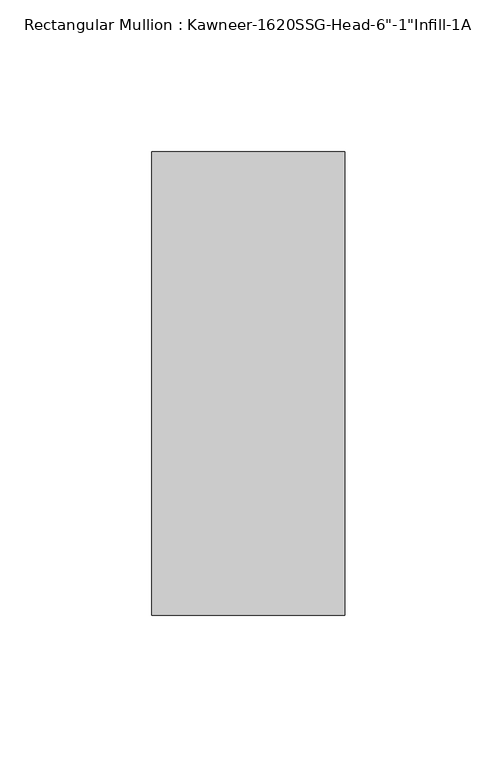
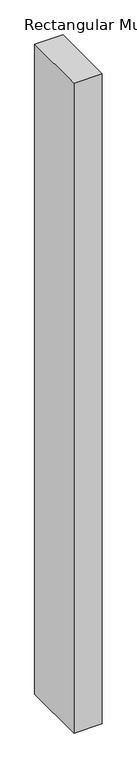
"""IFC4 building model written with IfcOpenShell, lengths in millimetres: member geometry."""

from ifc_helpers import new_model, si_unit, frame, origin, place, context, project, spatial, polyline, outline, extrude, source, transform, mapped, element, save


def member_e253c3b1(model_context):
    return source(origin(), model_context, "Body", "SweptSolid", [
        extrude(outline(polyline([(-63.5, 38.1), (0.0, 38.1), (0.0, -114.3), (-63.5, -114.3), (-63.5, 38.1)])), frame((0.0, 0.0, -1543.9182369), z_axis=(0.0, 0.0, 1.0), x_axis=(1.0, 0.0, 0.0)), (0.0, 0.0, 1.0), 1543.9182369),
    ])


if __name__ == "__main__":
    model = new_model("IFC4")
    model_context = context("Model", 3, world=origin())
    ifc_project = project(units=[si_unit("LENGTHUNIT", "METRE", prefix="MILLI")], contexts=[model_context])
    site = spatial("IfcSite", under=ifc_project)
    building = spatial("IfcBuilding", under=site)
    placement = place(None, origin())
    member_shape = member_e253c3b1(model_context)
    element("IfcMember", 1, ObjectType="Rectangular Mullion : Kawneer-1620SSG-Head-6\"-1\"Infill-1A", at=placement, inside=building, context=model_context, shape_type="MappedRepresentation", body=[
        mapped(member_shape, transform((0.0, 0.0, 0.0), x_axis=(1.0, 0.0, 0.0), y_axis=(0.0, 1.0, 0.0), z_axis=(0.0, 0.0, 1.0))),
    ])
    save(model, "model.ifc")
